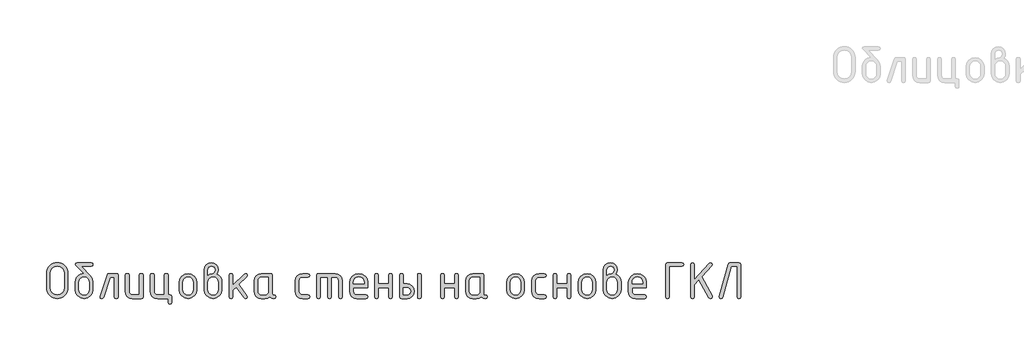
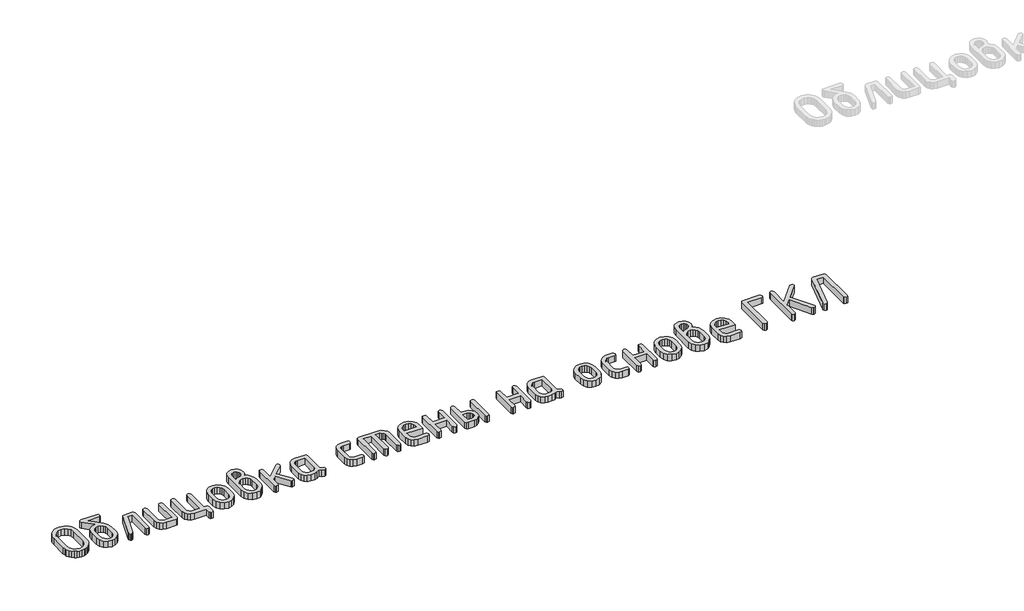
# One storey, part 15 of 33: 1 proxy.
"""IFC4 building model written with IfcOpenShell, lengths in millimetres."""

from ifc_helpers import new_model, si_unit, origin, origin_with_axes, place, context, project, spatial, polyline, outline, extrude, element, save

model = new_model("IFC4")

# Units and contexts
model_context = context("Model", 3, world=origin())
ifc_project = project(units=[si_unit("LENGTHUNIT", "METRE", prefix="MILLI")], contexts=[model_context])

# Site, building, storey
site = spatial("IfcSite", under=ifc_project)
building = spatial("IfcBuilding", under=site)
storey = spatial("IfcBuildingStorey", under=building, Elevation=0.0)

# Proxy
placement = place(None, origin())
element("IfcBuildingElementProxy", 1, Name="Generic Models", at=placement, inside=storey, context=model_context, shape_type="SweptSolid", body=[
    extrude(outline(polyline([(27671.8087351, -12641.4377514), (27670.1543392, -12659.6714129), (27665.1911517, -12676.5230486), (27656.9191725, -12691.9926585), (27645.3384016, -12706.0802426), (27631.4172659, -12717.8022424), (27616.1241921, -12726.1750994), (27599.4591803, -12731.1988136), (27581.4222305, -12732.873385), (27563.3852807, -12731.1988136), (27546.720269, -12726.1750994), (27531.4271952, -12717.8022424), (27517.5060595, -12706.0802426), (27505.9252886, -12691.9926585), (27497.6533094, -12676.5230486), (27492.6901218, -12659.6714129), (27491.035726, -12641.4377514), (27491.035726, -12519.5773747), (27492.6901218, -12501.3437132), (27497.6533094, -12484.4920775), (27505.9252886, -12469.0224676), (27517.5060595, -12454.9348835), (27531.4271952, -12443.2128837), (27546.720269, -12434.8400267), (27563.3852807, -12429.8163125), (27581.4222305, -12428.1417411), (27599.5575362, -12429.8087467), (27616.2755088, -12434.8097634), (27631.5761484, -12443.1447912), (27645.459455, -12454.8138302), (27656.987265, -12468.8635851), (27665.221415, -12484.3407608), (27670.1619051, -12501.2453574), (27671.8087351, -12519.5773747), (27671.8087351, -12641.4377514)]), holes=[polyline([(27640.8190764, -12641.1956447), (27640.8190764, -12519.8194814), (27636.5115945, -12496.2947796), (27623.5891489, -12476.7244873), (27604.4324556, -12463.5296717), (27581.4222305, -12459.1313998), (27558.4120054, -12463.5296717), (27539.2553121, -12476.7244873), (27526.3328666, -12496.2947796), (27522.0253847, -12519.8194814), (27522.0253847, -12641.1956447), (27526.3328666, -12664.7203465), (27539.2553121, -12684.2906388), (27558.4120054, -12697.4854544), (27581.4222305, -12701.8837263), (27604.4324556, -12697.4854544), (27623.5891489, -12684.2906388), (27636.5115945, -12664.7203465), (27640.8190764, -12641.1956447)])]), origin_with_axes(), (0.0, 0.0, 1.0), 50.0),
    extrude(outline(polyline([(27883.5714029, -12596.0023924), (27883.5714029, -12656.8518785), (27878.0937386, -12686.0761758), (27861.6607457, -12710.6399189), (27837.4601626, -12727.3150185), (27808.6797277, -12732.873385), (27779.8992927, -12727.3049307), (27755.6987096, -12710.5995678), (27739.2657168, -12685.9853857), (27733.7880525, -12656.690474), (27733.7880525, -12595.7602857), (27736.3806118, -12574.3287981), (27744.1582898, -12555.9539077), (27757.1210865, -12540.6356145), (27775.2690019, -12528.3739185), (27790.9857624, -12521.7765107), (27805.5323405, -12519.5773747), (27738.9529956, -12452.5945187), (27733.7880525, -12443.6365705), (27737.5205309, -12432.0154484), (27748.7179662, -12428.1417411), (27868.6414892, -12428.1417411), (27879.8389244, -12432.0154484), (27883.5714029, -12443.6365705), (27879.8389244, -12455.2576925), (27868.6414892, -12459.1313998), (27783.6620344, -12459.1313998), (27859.037923, -12539.5108271), (27877.4380329, -12566.7881829), (27883.5714029, -12596.0023924)]), holes=[polyline([(27852.5817442, -12656.3676651), (27852.5817442, -12595.7602857), (27849.3637425, -12578.3286027), (27839.7097375, -12563.6407957), (27825.5162317, -12553.6538939), (27808.6797277, -12550.3249267), (27791.8432236, -12553.6538939), (27777.6497178, -12563.6407957), (27767.9957128, -12578.3286027), (27764.7777112, -12595.7602857), (27764.7777112, -12656.3676651), (27767.9654495, -12673.9607526), (27777.5286645, -12688.6485595), (27791.6919069, -12698.5749346), (27808.6797277, -12701.8837263), (27825.5162317, -12698.554759), (27839.7097375, -12688.5678573), (27849.3637425, -12673.8598748), (27852.5817442, -12656.3676651)])]), origin_with_axes(), (0.0, 0.0, 1.0), 50.0),
    extrude(outline(polyline([(28018.909053, -12521.1107172), (28079.8392413, -12521.1107172), (28091.4603633, -12524.8835467), (28095.3340706, -12536.2020354), (28095.3340706, -12717.7820668), (28091.4603633, -12729.1005554), (28079.8392413, -12732.873385), (28068.2181193, -12729.1005554), (28064.3444119, -12717.7820668), (28064.3444119, -12552.1003759), (28029.7231526, -12552.1003759), (27972.5859694, -12722.624201), (27967.2797973, -12730.311089), (27958.3016736, -12732.873385), (27946.9226583, -12729.0400288), (27943.1296532, -12717.5399601), (27943.8559733, -12712.9399326), (28003.7370325, -12533.4581593), (28009.6282958, -12524.1975777), (28018.909053, -12521.1107172)])), origin_with_axes(), (0.0, 0.0, 1.0), 50.0),
    extrude(outline(polyline([(28307.0967384, -12536.2020354), (28307.0967384, -12717.7820668), (28303.3440844, -12729.1005554), (28292.0861225, -12732.873385), (28217.1944473, -12732.873385), (28193.9723788, -12728.4952887), (28174.6643688, -12715.3609997), (28161.6511332, -12695.8512341), (28157.313388, -12672.3467078), (28157.313388, -12536.2020354), (28161.1870954, -12524.8835467), (28172.8082174, -12521.1107172), (28184.4293394, -12524.8835467), (28188.3030467, -12536.2020354), (28188.3030467, -12671.7817922), (28190.4618315, -12683.2112464), (28196.938186, -12692.9661292), (28206.4206988, -12699.654327), (28217.5979585, -12701.8837263), (28276.1070797, -12701.8837263), (28276.1070797, -12536.2020354), (28279.980787, -12524.8835467), (28291.6019091, -12521.1107172), (28303.2230311, -12524.8835467), (28307.0967384, -12536.2020354)])), origin_with_axes(), (0.0, 0.0, 1.0), 50.0),
    extrude(outline(polyline([(28534.3542355, -12701.8837263), (28545.9753575, -12705.7574336), (28549.8490649, -12717.3785556), (28549.8490649, -12763.8630437), (28545.9753575, -12775.4841657), (28534.3542355, -12779.357873), (28522.7331135, -12775.4841657), (28518.8594062, -12763.8630437), (28518.8594062, -12732.873385), (28428.9571151, -12732.873385), (28405.7350466, -12728.4650253), (28386.4270366, -12715.2399464), (28373.413801, -12695.6999174), (28369.0760558, -12672.3467078), (28369.0760558, -12536.2020354), (28372.9497631, -12524.8835467), (28384.5708852, -12521.1107172), (28396.1920072, -12524.8835467), (28400.0657145, -12536.2020354), (28400.0657145, -12671.7817922), (28402.2244993, -12683.2112464), (28408.7008538, -12692.9661292), (28418.1833665, -12699.654327), (28429.3606262, -12701.8837263), (28487.8697475, -12701.8837263), (28487.8697475, -12536.2020354), (28491.7434548, -12524.8835467), (28503.3645768, -12521.1107172), (28514.9856988, -12524.8835467), (28518.8594062, -12536.2020354), (28518.8594062, -12701.8837263), (28534.3542355, -12701.8837263)])), origin_with_axes(), (0.0, 0.0, 1.0), 50.0),
    extrude(outline(polyline([(28611.8283823, -12657.2553897), (28611.8283823, -12596.7287125), (28617.3060466, -12567.6557319), (28633.7390394, -12543.2231299), (28657.9396225, -12526.6388204), (28686.7200575, -12521.1107172), (28715.8031258, -12526.5782937), (28739.9431822, -12542.9810232), (28756.1945951, -12567.3530985), (28761.6117327, -12596.7287125), (28761.6117327, -12657.2553897), (28756.1340684, -12686.3283703), (28739.7010755, -12710.7609723), (28715.5004925, -12727.3452818), (28686.7200575, -12732.873385), (28657.9396225, -12727.3452818), (28633.7390394, -12710.7609723), (28617.3060466, -12686.3283703), (28611.8283823, -12657.2553897)]), holes=[polyline([(28730.622074, -12656.3676651), (28730.622074, -12595.7602857), (28727.4040723, -12578.3286027), (28717.7500673, -12563.6407957), (28703.5565615, -12553.6538939), (28686.7200575, -12550.3249267), (28669.8835534, -12553.6538939), (28655.6900477, -12563.6407957), (28646.0360426, -12578.3286027), (28642.818041, -12595.7602857), (28642.818041, -12656.3676651), (28646.0057793, -12673.9607526), (28655.5689943, -12688.6485595), (28669.7322367, -12698.5749346), (28686.7200575, -12701.8837263), (28703.5565615, -12698.554759), (28717.7500673, -12688.5678573), (28727.4040723, -12673.8598748), (28730.622074, -12656.3676651)])]), origin_with_axes(), (0.0, 0.0, 1.0), 50.0),
    extrude(outline(polyline([(28928.4232549, -12525.7914469), (28946.9545059, -12537.18055), (28961.2287139, -12553.7547717), (28970.3379788, -12573.8395408), (28973.3744004, -12595.7602857), (28973.3744004, -12656.690474), (28967.8967362, -12686.1367024), (28951.4637433, -12710.7206211), (28927.2631602, -12727.335194), (28898.4827252, -12732.873385), (28869.5509736, -12727.3049307), (28845.3806538, -12710.5995678), (28829.038451, -12685.9853857), (28823.5910501, -12656.690474), (28823.5910501, -12489.0719294), (28827.9187075, -12465.4665253), (28840.9016797, -12445.8155308), (28860.0785486, -12432.5601885), (28882.9878959, -12428.1417411), (28905.998121, -12432.5904519), (28925.1548143, -12445.9365842), (28938.0772599, -12465.617842), (28942.3847417, -12489.0719294), (28938.89437, -12509.7922286), (28928.4232549, -12525.7914469)]), holes=[polyline([(28942.3847417, -12656.3676651), (28942.3847417, -12595.7602857), (28939.1970034, -12578.3286027), (28929.6337884, -12563.6407957), (28915.470546, -12553.6538939), (28898.4827252, -12550.3249267), (28881.4949045, -12553.6538939), (28867.3316621, -12563.6407957), (28857.7684471, -12578.3286027), (28854.5807088, -12595.7602857), (28854.5807088, -12656.3676651), (28857.7684471, -12673.9607526), (28867.3316621, -12688.6485595), (28881.4949045, -12698.5749346), (28898.4827252, -12701.8837263), (28915.470546, -12698.554759), (28929.6337884, -12688.5678573), (28939.1970034, -12673.8598748), (28942.3847417, -12656.3676651)]), polyline([(28854.5807088, -12535.8792264), (28873.0615208, -12524.5607378), (28889.9282882, -12520.7879083), (28899.0072898, -12518.14491), (28907.3599712, -12510.2159153), (28913.2310589, -12500.3500669), (28915.1880881, -12490.4438674), (28913.0091278, -12478.6411654), (28906.4722466, -12468.8963704), (28896.707276, -12462.3594893), (28884.8440473, -12460.1805289), (28873.192662, -12462.3897526), (28863.4176036, -12469.0174237), (28856.7899325, -12478.7924821), (28854.5807088, -12490.4438674), (28854.5807088, -12535.8792264)])]), origin_with_axes(), (0.0, 0.0, 1.0), 50.0),
    extrude(outline(polyline([(29066.3433765, -12620.5358722), (29161.5720152, -12525.468638), (29172.3861149, -12521.1107172), (29183.7651302, -12524.8835467), (29187.5581353, -12536.2020354), (29182.9581078, -12546.7740283), (29116.378763, -12613.2726709), (29184.5721526, -12709.0662253), (29187.5581353, -12717.9434713), (29183.7651302, -12729.1409066), (29172.3861149, -12732.873385), (29165.243967, -12731.2593403), (29159.796566, -12726.4172061), (29094.5891592, -12634.820168), (29066.3433765, -12663.0659507), (29066.3433765, -12717.7013646), (29062.4696692, -12729.0803799), (29050.8485472, -12732.873385), (29039.2274252, -12729.1005554), (29035.3537178, -12717.7820668), (29035.3537178, -12536.2020354), (29039.2274252, -12524.8835467), (29050.8485472, -12521.1107172), (29062.4696692, -12524.8835467), (29066.3433765, -12536.2020354), (29066.3433765, -12620.5358722)])), origin_with_axes(), (0.0, 0.0, 1.0), 50.0),
    extrude(outline(polyline([(29427.1630746, -12717.7820668), (29423.390245, -12729.1005554), (29412.0717564, -12732.873385), (29392.9251509, -12728.8584487), (29377.6119015, -12716.81364), (29359.1916161, -12728.8584487), (29337.0186767, -12732.873385), (29306.9974449, -12732.873385), (29283.7753764, -12728.4952887), (29264.4673664, -12715.3609997), (29251.4541308, -12695.8512341), (29247.1163856, -12672.3467078), (29247.1163856, -12581.6373943), (29251.4541308, -12558.1328681), (29264.4673664, -12538.6231025), (29283.7753764, -12525.4888135), (29306.9974449, -12521.1107172), (29381.8891201, -12521.1107172), (29393.147082, -12524.8835467), (29396.899736, -12536.2020354), (29396.899736, -12687.5187282), (29400.6826533, -12698.8372169), (29412.0314053, -12702.6100464), (29423.3801572, -12706.4030515), (29427.1630746, -12717.7820668)]), holes=[polyline([(29365.9100773, -12552.1003759), (29307.400956, -12552.1003759), (29296.1228185, -12554.2894241), (29286.6604813, -12560.8565685), (29280.2446536, -12570.5307491), (29278.1060443, -12582.0409055), (29278.1060443, -12671.9431967), (29280.2648291, -12683.3524753), (29286.7411836, -12693.0468314), (29296.2236963, -12699.6745026), (29307.400956, -12701.8837263), (29336.6151655, -12701.8837263), (29347.8933031, -12699.6946781), (29357.3556403, -12693.1275337), (29363.771468, -12683.4533531), (29365.9100773, -12671.9431967), (29365.9100773, -12552.1003759)])]), origin_with_axes(), (0.0, 0.0, 1.0), 50.0),
    extrude(outline(polyline([(29624.1572331, -12582.0409055), (29624.1572331, -12671.9431967), (29626.3967202, -12683.3524753), (29633.1151813, -12693.0468314), (29642.920503, -12699.6745026), (29654.4205717, -12701.8837263), (29699.9366329, -12701.8837263), (29711.2551215, -12705.7574336), (29715.0279511, -12717.3785556), (29711.2551215, -12728.9996776), (29699.9366329, -12732.873385), (29654.4205717, -12732.873385), (29630.8756943, -12728.4952887), (29611.0834708, -12715.3609997), (29597.6465485, -12695.8512341), (29593.1675744, -12672.3467078), (29593.1675744, -12581.6373943), (29597.6465485, -12558.1328681), (29611.0834708, -12538.6231025), (29630.8756943, -12525.4888135), (29654.4205717, -12521.1107172), (29699.9366329, -12521.1107172), (29711.2551215, -12524.9844245), (29715.0279511, -12536.6055466), (29711.2551215, -12548.2266686), (29699.9366329, -12552.1003759), (29654.4205717, -12552.1003759), (29642.7691863, -12554.2894241), (29632.994128, -12560.8565685), (29626.3664568, -12570.5307491), (29624.1572331, -12582.0409055)])), origin_with_axes(), (0.0, 0.0, 1.0), 50.0),
    extrude(outline(polyline([(29789.4354128, -12521.1107172), (29928.888877, -12521.1107172), (29952.7767389, -12525.5190769), (29972.7908935, -12538.7441558), (29986.3488692, -12558.2841847), (29990.8681944, -12581.6373943), (29990.8681944, -12717.7820668), (29986.994487, -12729.1005554), (29975.373365, -12732.873385), (29963.752243, -12729.1005554), (29959.8785357, -12717.7820668), (29959.8785357, -12582.20231), (29957.6491364, -12570.4702224), (29950.9609386, -12560.7758663), (29940.9841246, -12554.2692485), (29928.888877, -12552.1003759), (29897.8992183, -12552.1003759), (29897.8992183, -12717.7820668), (29894.0255109, -12729.1005554), (29882.4043889, -12732.873385), (29870.7832669, -12729.1005554), (29866.9095596, -12717.7820668), (29866.9095596, -12552.1003759), (29804.9302422, -12552.1003759), (29804.9302422, -12717.7820668), (29801.0565349, -12729.1005554), (29789.4354128, -12732.873385), (29777.8142908, -12729.1005554), (29773.9405835, -12717.7820668), (29773.9405835, -12536.2020354), (29777.8142908, -12524.8835467), (29789.4354128, -12521.1107172)])), origin_with_axes(), (0.0, 0.0, 1.0), 50.0),
    extrude(outline(polyline([(30083.8371705, -12639.9044089), (30083.8371705, -12670.8940676), (30086.0766575, -12682.6866818), (30092.7951187, -12692.7240225), (30102.6004404, -12699.5938003), (30114.1005091, -12701.8837263), (30189.8799088, -12701.8837263), (30201.2589241, -12705.7574336), (30205.0519292, -12717.3785556), (30201.2589241, -12728.9996776), (30189.8799088, -12732.873385), (30114.1005091, -12732.873385), (30090.5556316, -12728.4952887), (30070.7634082, -12715.3609997), (30057.3264859, -12695.8512341), (30052.8475118, -12672.3467078), (30052.8475118, -12596.7287125), (30058.466405, -12567.6557319), (30075.3230846, -12543.2231299), (30100.0482322, -12526.6388204), (30129.2725295, -12521.1107172), (30158.7187579, -12526.4774159), (30183.1412721, -12542.577512), (30199.574265, -12566.5057251), (30205.0519292, -12595.3567745), (30205.0519292, -12639.9044089), (30083.8371705, -12639.9044089)]), holes=[polyline([(30129.2725295, -12548.3073708), (30111.8408464, -12551.636338), (30097.1530395, -12561.6232398), (30087.1661377, -12576.3110468), (30083.8371705, -12593.7427298), (30083.8371705, -12608.9147502), (30174.7078884, -12608.9147502), (30174.7078884, -12593.7427298), (30171.3789212, -12576.3110468), (30161.3920195, -12561.6232398), (30146.7042125, -12551.636338), (30129.2725295, -12548.3073708)])]), origin_with_axes(), (0.0, 0.0, 1.0), 50.0),
    extrude(outline(polyline([(30295.5998383, -12639.9044089), (30295.5998383, -12717.3785556), (30291.7261309, -12728.9996776), (30280.1050089, -12732.873385), (30268.4838869, -12729.1005554), (30264.6101796, -12717.7820668), (30264.6101796, -12536.2020354), (30268.4838869, -12524.8835467), (30280.1050089, -12521.1107172), (30291.7261309, -12524.7624934), (30295.5998383, -12535.717822), (30295.5998383, -12608.9147502), (30383.4038712, -12608.9147502), (30383.4038712, -12535.717822), (30387.2775786, -12524.7624934), (30398.8987006, -12521.1107172), (30410.5198226, -12524.8835467), (30414.3935299, -12536.2020354), (30414.3935299, -12717.7820668), (30410.5198226, -12729.1005554), (30398.8987006, -12732.873385), (30387.2775786, -12728.9996776), (30383.4038712, -12717.3785556), (30383.4038712, -12639.9044089), (30295.5998383, -12639.9044089)])), origin_with_axes(), (0.0, 0.0, 1.0), 50.0),
    extrude(outline(polyline([(30626.1561977, -12536.2020354), (30630.0299051, -12524.8835467), (30641.6510271, -12521.1107172), (30653.2721491, -12524.8835467), (30657.1458564, -12536.2020354), (30657.1458564, -12717.7820668), (30653.2721491, -12729.1005554), (30641.6510271, -12732.873385), (30630.0299051, -12729.1005554), (30626.1561977, -12717.7820668), (30626.1561977, -12536.2020354)])), origin_with_axes(), (0.0, 0.0, 1.0), 50.0),
    extrude(outline(polyline([(30598.233224, -12670.8940676), (30593.8450399, -12694.9332462), (30580.6804876, -12714.9171374), (30561.1404587, -12728.3843231), (30537.6258446, -12732.873385), (30491.8676767, -12732.873385), (30480.2465547, -12729.1005554), (30476.3728473, -12717.7820668), (30476.3728473, -12536.2020354), (30480.2465547, -12524.8835467), (30491.8676767, -12521.1107172), (30503.4887987, -12524.7624934), (30507.362506, -12535.717822), (30507.362506, -12608.9147502), (30537.6258446, -12608.9147502), (30561.1404587, -12613.4038121), (30580.6804876, -12626.8709977), (30593.8450399, -12646.854889), (30598.233224, -12670.8940676)]), holes=[polyline([(30567.9698854, -12670.8940676), (30565.790925, -12658.7988199), (30559.2540439, -12648.822006), (30549.4890733, -12642.1338082), (30537.6258446, -12639.9044089), (30507.362506, -12639.9044089), (30507.362506, -12701.8837263), (30537.6258446, -12701.8837263), (30549.3377566, -12699.6240637), (30559.1329906, -12692.8450758), (30565.7606617, -12682.8379985), (30567.9698854, -12670.8940676)])]), origin_with_axes(), (0.0, 0.0, 1.0), 50.0),
    extrude(outline(polyline([(30853.4136948, -12639.9044089), (30853.4136948, -12717.3785556), (30849.5399875, -12728.9996776), (30837.9188655, -12732.873385), (30826.2977435, -12729.1005554), (30822.4240361, -12717.7820668), (30822.4240361, -12536.2020354), (30826.2977435, -12524.8835467), (30837.9188655, -12521.1107172), (30849.5399875, -12524.7624934), (30853.4136948, -12535.717822), (30853.4136948, -12608.9147502), (30941.2177278, -12608.9147502), (30941.2177278, -12535.717822), (30945.0914352, -12524.7624934), (30956.7125572, -12521.1107172), (30968.3336792, -12524.8835467), (30972.2073865, -12536.2020354), (30972.2073865, -12717.7820668), (30968.3336792, -12729.1005554), (30956.7125572, -12732.873385), (30945.0914352, -12728.9996776), (30941.2177278, -12717.3785556), (30941.2177278, -12639.9044089), (30853.4136948, -12639.9044089)])), origin_with_axes(), (0.0, 0.0, 1.0), 50.0),
    extrude(outline(polyline([(31214.2333929, -12717.7820668), (31210.4605633, -12729.1005554), (31199.1420747, -12732.873385), (31179.9954692, -12728.8584487), (31164.6822198, -12716.81364), (31146.2619344, -12728.8584487), (31124.088995, -12732.873385), (31094.0677632, -12732.873385), (31070.8456947, -12728.4952887), (31051.5376847, -12715.3609997), (31038.5244491, -12695.8512341), (31034.1867039, -12672.3467078), (31034.1867039, -12581.6373943), (31038.5244491, -12558.1328681), (31051.5376847, -12538.6231025), (31070.8456947, -12525.4888135), (31094.0677632, -12521.1107172), (31168.9594384, -12521.1107172), (31180.2174003, -12524.8835467), (31183.9700543, -12536.2020354), (31183.9700543, -12687.5187282), (31187.7529716, -12698.8372169), (31199.1017236, -12702.6100464), (31210.4504755, -12706.4030515), (31214.2333929, -12717.7820668)]), holes=[polyline([(31152.9803956, -12552.1003759), (31094.4712744, -12552.1003759), (31083.1931368, -12554.2894241), (31073.7307997, -12560.8565685), (31067.3149719, -12570.5307491), (31065.1763626, -12582.0409055), (31065.1763626, -12671.9431967), (31067.3351474, -12683.3524753), (31073.8115019, -12693.0468314), (31083.2940146, -12699.6745026), (31094.4712744, -12701.8837263), (31123.6854839, -12701.8837263), (31134.9636214, -12699.6946781), (31144.4259586, -12693.1275337), (31150.8417863, -12683.4533531), (31152.9803956, -12671.9431967), (31152.9803956, -12552.1003759)])]), origin_with_axes(), (0.0, 0.0, 1.0), 50.0),
    extrude(outline(polyline([(31380.2378927, -12657.2553897), (31380.2378927, -12596.7287125), (31385.715557, -12567.6557319), (31402.1485498, -12543.2231299), (31426.3491329, -12526.6388204), (31455.1295679, -12521.1107172), (31484.2126363, -12526.5782937), (31508.3526927, -12542.9810232), (31524.6041055, -12567.3530985), (31530.0212431, -12596.7287125), (31530.0212431, -12657.2553897), (31524.5435788, -12686.3283703), (31508.110586, -12710.7609723), (31483.9100029, -12727.3452818), (31455.1295679, -12732.873385), (31426.3491329, -12727.3452818), (31402.1485498, -12710.7609723), (31385.715557, -12686.3283703), (31380.2378927, -12657.2553897)]), holes=[polyline([(31499.0315844, -12656.3676651), (31499.0315844, -12595.7602857), (31495.8135827, -12578.3286027), (31486.1595777, -12563.6407957), (31471.9660719, -12553.6538939), (31455.1295679, -12550.3249267), (31438.2930639, -12553.6538939), (31424.0995581, -12563.6407957), (31414.4455531, -12578.3286027), (31411.2275514, -12595.7602857), (31411.2275514, -12656.3676651), (31414.4152898, -12673.9607526), (31423.9785047, -12688.6485595), (31438.1417472, -12698.5749346), (31455.1295679, -12701.8837263), (31471.9660719, -12698.554759), (31486.1595777, -12688.5678573), (31495.8135827, -12673.8598748), (31499.0315844, -12656.3676651)])]), origin_with_axes(), (0.0, 0.0, 1.0), 50.0),
    extrude(outline(polyline([(31622.9902192, -12582.0409055), (31622.9902192, -12671.9431967), (31625.2297063, -12683.3524753), (31631.9481674, -12693.0468314), (31641.7534891, -12699.6745026), (31653.2535578, -12701.8837263), (31698.769619, -12701.8837263), (31710.0881076, -12705.7574336), (31713.8609372, -12717.3785556), (31710.0881076, -12728.9996776), (31698.769619, -12732.873385), (31653.2535578, -12732.873385), (31629.7086804, -12728.4952887), (31609.9164569, -12715.3609997), (31596.4795346, -12695.8512341), (31592.0005605, -12672.3467078), (31592.0005605, -12581.6373943), (31596.4795346, -12558.1328681), (31609.9164569, -12538.6231025), (31629.7086804, -12525.4888135), (31653.2535578, -12521.1107172), (31698.769619, -12521.1107172), (31710.0881076, -12524.9844245), (31713.8609372, -12536.6055466), (31710.0881076, -12548.2266686), (31698.769619, -12552.1003759), (31653.2535578, -12552.1003759), (31641.6021724, -12554.2894241), (31631.8271141, -12560.8565685), (31625.1994429, -12570.5307491), (31622.9902192, -12582.0409055)])), origin_with_axes(), (0.0, 0.0, 1.0), 50.0),
    extrude(outline(polyline([(31803.7632283, -12639.9044089), (31803.7632283, -12717.3785556), (31799.8895209, -12728.9996776), (31788.2683989, -12732.873385), (31776.6472769, -12729.1005554), (31772.7735696, -12717.7820668), (31772.7735696, -12536.2020354), (31776.6472769, -12524.8835467), (31788.2683989, -12521.1107172), (31799.8895209, -12524.7624934), (31803.7632283, -12535.717822), (31803.7632283, -12608.9147502), (31891.5672613, -12608.9147502), (31891.5672613, -12535.717822), (31895.4409686, -12524.7624934), (31907.0620906, -12521.1107172), (31918.6832126, -12524.8835467), (31922.55692, -12536.2020354), (31922.55692, -12717.7820668), (31918.6832126, -12729.1005554), (31907.0620906, -12732.873385), (31895.4409686, -12728.9996776), (31891.5672613, -12717.3785556), (31891.5672613, -12639.9044089), (31803.7632283, -12639.9044089)])), origin_with_axes(), (0.0, 0.0, 1.0), 50.0),
    extrude(outline(polyline([(31984.5362374, -12657.2553897), (31984.5362374, -12596.7287125), (31990.0139016, -12567.6557319), (32006.4468945, -12543.2231299), (32030.6474776, -12526.6388204), (32059.4279125, -12521.1107172), (32088.5109809, -12526.5782937), (32112.6510373, -12542.9810232), (32128.9024501, -12567.3530985), (32134.3195877, -12596.7287125), (32134.3195877, -12657.2553897), (32128.8419234, -12686.3283703), (32112.4089306, -12710.7609723), (32088.2083475, -12727.3452818), (32059.4279125, -12732.873385), (32030.6474776, -12727.3452818), (32006.4468945, -12710.7609723), (31990.0139016, -12686.3283703), (31984.5362374, -12657.2553897)]), holes=[polyline([(32103.329929, -12656.3676651), (32103.329929, -12595.7602857), (32100.1119274, -12578.3286027), (32090.4579224, -12563.6407957), (32076.2644166, -12553.6538939), (32059.4279125, -12550.3249267), (32042.5914085, -12553.6538939), (32028.3979027, -12563.6407957), (32018.7438977, -12578.3286027), (32015.5258961, -12595.7602857), (32015.5258961, -12656.3676651), (32018.7136344, -12673.9607526), (32028.2768494, -12688.6485595), (32042.4400918, -12698.5749346), (32059.4279125, -12701.8837263), (32076.2644166, -12698.554759), (32090.4579224, -12688.5678573), (32100.1119274, -12673.8598748), (32103.329929, -12656.3676651)])]), origin_with_axes(), (0.0, 0.0, 1.0), 50.0),
    extrude(outline(polyline([(32301.1311099, -12525.7914469), (32319.6623609, -12537.18055), (32333.936569, -12553.7547717), (32343.0458339, -12573.8395408), (32346.0822555, -12595.7602857), (32346.0822555, -12656.690474), (32340.6045912, -12686.1367024), (32324.1715984, -12710.7206211), (32299.9710153, -12727.335194), (32271.1905803, -12732.873385), (32242.2588286, -12727.3049307), (32218.0885089, -12710.5995678), (32201.7463061, -12685.9853857), (32196.2989051, -12656.690474), (32196.2989051, -12489.0719294), (32200.6265625, -12465.4665253), (32213.6095348, -12445.8155308), (32232.7864037, -12432.5601885), (32255.695751, -12428.1417411), (32278.7059761, -12432.5904519), (32297.8626694, -12445.9365842), (32310.785115, -12465.617842), (32315.0925968, -12489.0719294), (32311.6022251, -12509.7922286), (32301.1311099, -12525.7914469)]), holes=[polyline([(32227.2885638, -12535.8792264), (32245.7693759, -12524.5607378), (32262.6361433, -12520.7879083), (32271.7151449, -12518.14491), (32280.0678263, -12510.2159153), (32285.938914, -12500.3500669), (32287.8959432, -12490.4438674), (32285.7169828, -12478.6411654), (32279.1801017, -12468.8963704), (32269.4151311, -12462.3594893), (32257.5519024, -12460.1805289), (32245.9005171, -12462.3897526), (32236.1254587, -12469.0174237), (32229.4977875, -12478.7924821), (32227.2885638, -12490.4438674), (32227.2885638, -12535.8792264)]), polyline([(32315.0925968, -12656.3676651), (32315.0925968, -12595.7602857), (32311.9048585, -12578.3286027), (32302.3416435, -12563.6407957), (32288.178401, -12553.6538939), (32271.1905803, -12550.3249267), (32254.2027596, -12553.6538939), (32240.0395171, -12563.6407957), (32230.4763022, -12578.3286027), (32227.2885638, -12595.7602857), (32227.2885638, -12656.3676651), (32230.4763022, -12673.9607526), (32240.0395171, -12688.6485595), (32254.2027596, -12698.5749346), (32271.1905803, -12701.8837263), (32288.178401, -12698.554759), (32302.3416435, -12688.5678573), (32311.9048585, -12673.8598748), (32315.0925968, -12656.3676651)])]), origin_with_axes(), (0.0, 0.0, 1.0), 50.0),
    extrude(outline(polyline([(32439.0512316, -12639.9044089), (32439.0512316, -12670.8940676), (32441.2907187, -12682.6866818), (32448.0091798, -12692.7240225), (32457.8145015, -12699.5938003), (32469.3145702, -12701.8837263), (32545.09397, -12701.8837263), (32556.4729853, -12705.7574336), (32560.2659904, -12717.3785556), (32556.4729853, -12728.9996776), (32545.09397, -12732.873385), (32469.3145702, -12732.873385), (32445.7696928, -12728.4952887), (32425.9774693, -12715.3609997), (32412.540547, -12695.8512341), (32408.0615729, -12672.3467078), (32408.0615729, -12596.7287125), (32413.6804661, -12567.6557319), (32430.5371457, -12543.2231299), (32455.2622933, -12526.6388204), (32484.4865906, -12521.1107172), (32513.932819, -12526.4774159), (32538.3553332, -12542.577512), (32554.7883261, -12566.5057251), (32560.2659904, -12595.3567745), (32560.2659904, -12639.9044089), (32439.0512316, -12639.9044089)]), holes=[polyline([(32484.4865906, -12548.3073708), (32467.0549076, -12551.636338), (32452.3671006, -12561.6232398), (32442.3801988, -12576.3110468), (32439.0512316, -12593.7427298), (32439.0512316, -12608.9147502), (32529.9219496, -12608.9147502), (32529.9219496, -12593.7427298), (32526.5929823, -12576.3110468), (32516.6060806, -12561.6232398), (32501.9182736, -12551.636338), (32484.4865906, -12548.3073708)])]), origin_with_axes(), (0.0, 0.0, 1.0), 50.0),
    extrude(outline(polyline([(32754.1127617, -12459.1313998), (32754.1127617, -12717.7013646), (32750.2390544, -12729.0803799), (32738.6179324, -12732.873385), (32726.9968104, -12729.0602043), (32723.123103, -12717.6206623), (32723.123103, -12443.3944637), (32726.9968104, -12431.9549218), (32738.6179324, -12428.1417411), (32860.1555001, -12428.1417411), (32871.5345154, -12432.0154484), (32875.3275205, -12443.6365705), (32871.5345154, -12455.2576925), (32860.1555001, -12459.1313998), (32754.1127617, -12459.1313998)])), origin_with_axes(), (0.0, 0.0, 1.0), 50.0),
    extrude(outline(polyline([(33005.0967163, -12573.5671707), (32965.8754295, -12616.9849738), (32965.8754295, -12717.6206623), (32962.0017222, -12729.0602043), (32950.3806001, -12732.873385), (32938.7594781, -12729.0602043), (32934.8857708, -12717.6206623), (32934.8857708, -12443.3944637), (32938.7594781, -12431.9549218), (32950.3806001, -12428.1417411), (32962.0017222, -12431.9549218), (32965.8754295, -12443.3944637), (32965.8754295, -12571.4689126), (33090.7217889, -12433.225982), (33102.2622087, -12428.1417411), (33113.5806973, -12431.9549218), (33117.3535268, -12443.3944637), (33113.2377128, -12453.8050522), (33026.7249156, -12549.5986066), (33115.3359709, -12710.0346521), (33117.3535268, -12717.6206623), (33112.6727971, -12728.1523042), (33102.2622087, -12732.873385), (33094.2726873, -12730.8558291), (33088.704233, -12724.8031614), (33005.0967163, -12573.5671707)])), origin_with_axes(), (0.0, 0.0, 1.0), 50.0),
    extrude(outline(polyline([(33266.3298548, -12428.1417411), (33342.916277, -12428.1417411), (33354.537399, -12431.9549218), (33358.4111063, -12443.3944637), (33358.4111063, -12717.6206623), (33354.537399, -12729.0602043), (33342.916277, -12732.873385), (33331.295155, -12729.0803799), (33327.4214476, -12717.7013646), (33327.4214476, -12459.1313998), (33278.2737858, -12459.1313998), (33205.4803688, -12722.301392), (33200.3759523, -12730.2303867), (33191.0346685, -12732.873385), (33179.6556532, -12729.0602043), (33175.8626481, -12717.6206623), (33177.0731816, -12712.1329103), (33251.1578344, -12443.3944637), (33257.0490977, -12431.9549218), (33266.3298548, -12428.1417411)])), origin_with_axes(), (0.0, 0.0, 1.0), 50.0),
])

save(model, "model.ifc")
